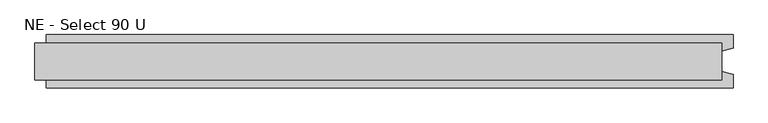
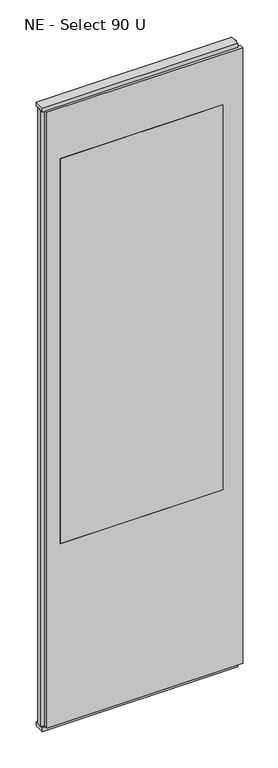
"""IFC4 building model written with IfcOpenShell, lengths in millimetres: plate geometry, NE - Select 90 U."""

from ifc_helpers import new_model, si_unit, frame, origin, origin_with_axes, place, context, project, spatial, polyline, outline, extrude, faceted_brep, source, transform, mapped, element, save


def ne_select_90_u_fe5b2309(model_context):
    return source(origin(), model_context, "Body", "SolidModel", [
        extrude(outline(polyline([(493.5, -46.0), (-493.5, -46.0), (-493.5, 46.0), (493.5, 46.0), (493.5, -46.0)])), frame((0.0, 0.0, 1180.0), z_axis=(0.0, 0.0, 1.0), x_axis=(1.0, 0.0, 0.0)), (0.0, 0.0, 1.0), 2470.0),
        faceted_brep([(613.5, 46.0, 25.0), (613.5, 22.9993165, 25.0), (593.5, 17.6401049, 25.0), (593.5, -17.6401049, 25.0), (613.5, -22.9993165, 25.0), (613.5, -46.0, 25.0), (-573.5, -46.0, 25.0), (-573.5, -22.9993165, 25.0), (-593.5, -17.6401049, 25.0), (-593.5, 17.6401049, 25.0), (-573.5, 22.9993165, 25.0), (-573.5, 46.0, 25.0), (613.5, 46.0, 3975.0), (-573.5, 46.0, 3975.0), (-573.5, 22.9993165, 3975.0), (-593.5, 17.6401049, 3975.0), (-593.5, -17.6401049, 3975.0), (-573.5, -22.9993165, 3975.0), (-573.5, -46.0, 3975.0), (613.5, -46.0, 3975.0), (613.5, -22.9993165, 3975.0), (593.5, -17.6401049, 3975.0), (593.5, 17.6401049, 3975.0), (613.5, 22.9993165, 3975.0), (-493.5, -46.0, 3650.0), (493.5, -46.0, 3650.0), (493.5, -46.0, 1180.0), (-493.5, -46.0, 1180.0), (493.5, 46.0, 3650.0), (-493.5, 46.0, 3650.0), (-493.5, 46.0, 1180.0), (493.5, 46.0, 1180.0)], [[[0, 1, 2, 3, 4, 5, 6, 7, 8, 9, 10, 11]], [[12, 13, 14, 15, 16, 17, 18, 19, 20, 21, 22, 23]], [[6, 5, 19, 18], [24, 25, 26, 27]], [[0, 11, 13, 12], [28, 29, 30, 31]], [[7, 6, 18, 17]], [[8, 7, 17, 16]], [[9, 8, 16, 15]], [[10, 9, 15, 14]], [[11, 10, 14, 13]], [[1, 0, 12, 23]], [[2, 1, 23, 22]], [[3, 2, 22, 21]], [[4, 3, 21, 20]], [[5, 4, 20, 19]], [[24, 29, 28, 25]], [[29, 24, 27, 30]], [[30, 27, 26, 31]], [[25, 28, 31, 26]]]),
        extrude(outline(polyline([(593.5, 32.0), (593.5, -32.0), (-593.5, -32.0), (-593.5, 32.0), (593.5, 32.0)])), origin_with_axes(), (0.0, 0.0, 1.0), 25.0),
        extrude(outline(polyline([(593.5, 32.0), (593.5, -32.0), (-593.5, -32.0), (-593.5, 32.0), (593.5, 32.0)])), frame((0.0, 0.0, 3975.0), z_axis=(0.0, 0.0, 1.0), x_axis=(1.0, 0.0, 0.0)), (0.0, 0.0, 1.0), 25.0),
    ])


if __name__ == "__main__":
    model = new_model("IFC4")
    model_context = context("Model", 3, world=origin())
    ifc_project = project(units=[si_unit("LENGTHUNIT", "METRE", prefix="MILLI")], contexts=[model_context])
    site = spatial("IfcSite", under=ifc_project)
    building = spatial("IfcBuilding", under=site)
    placement = place(None, origin())
    ne_select_90_u_shape = ne_select_90_u_fe5b2309(model_context)
    element("IfcPlate", 1, ObjectType="NE - Select 90 U", at=placement, inside=building, context=model_context, shape_type="MappedRepresentation", body=[
        mapped(ne_select_90_u_shape, transform((0.0, 0.0, 0.0), x_axis=(1.0, 0.0, 0.0), y_axis=(0.0, 1.0, 0.0), z_axis=(0.0, 0.0, 1.0))),
    ])
    save(model, "model.ifc")
